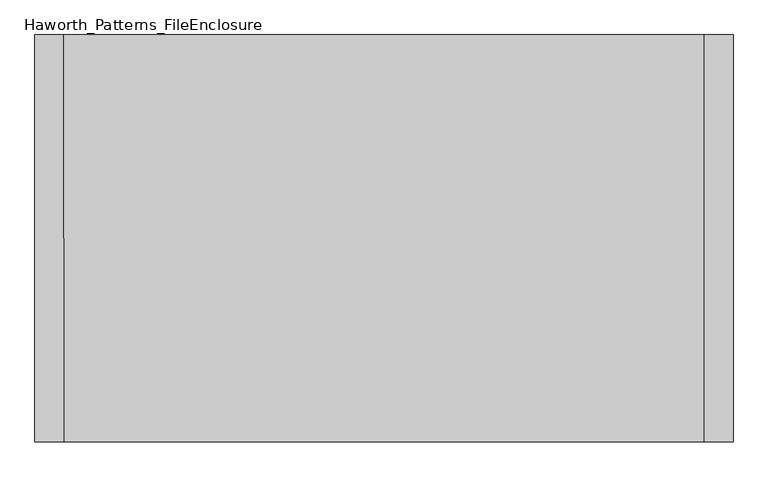
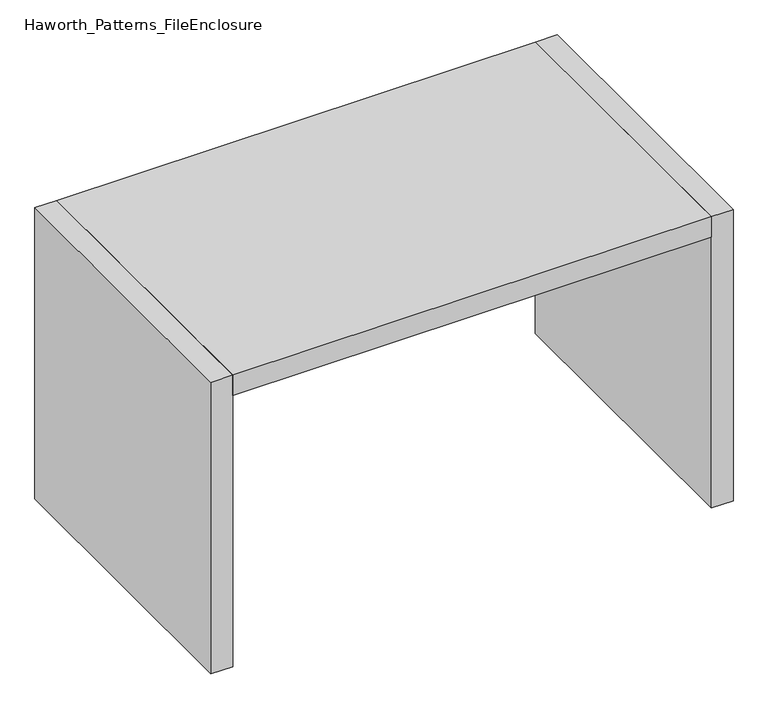
"""IFC4 building model written with IfcOpenShell, lengths in millimetres: furniture geometry, Haworth_Patterns_FileEnclosure."""

from ifc_helpers import new_model, si_unit, frame, origin, origin_with_axes, place, context, project, spatial, polyline, outline, extrude, source, transform, mapped, element, save


def haworth_patterns_fileenclosure_9f6c91d6(model_context):
    return source(origin(), model_context, "Body", "SweptSolid", [
        extrude(outline(polyline([(838.2, 0.0), (838.2, -1066.8), (-838.2, -1066.8), (-838.2, 0.0), (838.2, 0.0)])), frame((0.0, 0.0, 1003.3), z_axis=(0.0, 0.0, 1.0), x_axis=(1.0, 0.0, 0.0)), (0.0, 0.0, 1.0), 76.2),
        extrude(outline(polyline([(838.2, 0.0), (914.4, 0.0), (914.4, -1066.8), (838.2, -1066.8), (838.2, 0.0)])), origin_with_axes(), (0.0, 0.0, 1.0), 1079.5),
        extrude(outline(polyline([(-838.2, 0.0), (-838.2, -1066.8), (-914.4, -1066.8), (-914.4, 0.0), (-838.2, 0.0)])), origin_with_axes(), (0.0, 0.0, 1.0), 1079.5),
    ])


if __name__ == "__main__":
    model = new_model("IFC4")
    model_context = context("Model", 3, world=origin())
    ifc_project = project(units=[si_unit("LENGTHUNIT", "METRE", prefix="MILLI")], contexts=[model_context])
    site = spatial("IfcSite", under=ifc_project)
    building = spatial("IfcBuilding", under=site)
    placement = place(None, origin())
    haworth_patterns_fileenclosure_shape = haworth_patterns_fileenclosure_9f6c91d6(model_context)
    element("IfcFurniture", 1, ObjectType="Haworth_Patterns_FileEnclosure", at=placement, inside=building, context=model_context, shape_type="MappedRepresentation", body=[
        mapped(haworth_patterns_fileenclosure_shape, transform((0.0, 0.0, 0.0), x_axis=(1.0, 0.0, 0.0), y_axis=(0.0, 1.0, 0.0), z_axis=(0.0, 0.0, 1.0))),
    ])
    save(model, "model.ifc")
